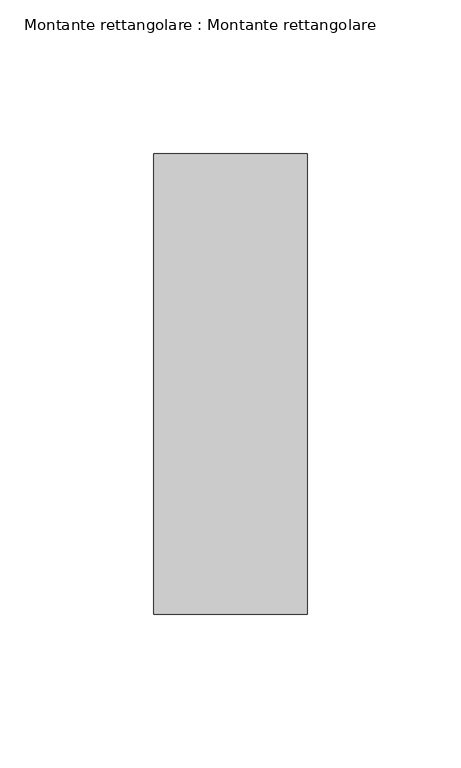
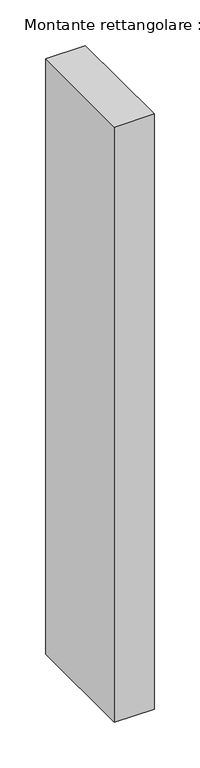
"""IFC4 building model written with IfcOpenShell, lengths in millimetres: member geometry, Montante rettangolare : Montante rettangolare."""

from ifc_helpers import new_model, si_unit, frame, origin, place, context, project, spatial, polyline, outline, extrude, source, transform, mapped, element, save


def montante_rettangolare_montante_rettangolare_f5e4e553(model_context):
    return source(origin(), model_context, "Body", "SweptSolid", [
        extrude(outline(polyline([(0.0, 75.0), (0.0, -75.0), (-50.0, -75.0), (-50.0, 75.0), (0.0, 75.0)])), frame((0.0, 0.0, -794.0), z_axis=(0.0, 0.0, 1.0), x_axis=(1.0, 0.0, 0.0)), (0.0, 0.0, 1.0), 794.0),
    ])


if __name__ == "__main__":
    model = new_model("IFC4")
    model_context = context("Model", 3, world=origin())
    ifc_project = project(units=[si_unit("LENGTHUNIT", "METRE", prefix="MILLI")], contexts=[model_context])
    site = spatial("IfcSite", under=ifc_project)
    building = spatial("IfcBuilding", under=site)
    placement = place(None, origin())
    montante_rettangolare_montante_rettangolare_shape = montante_rettangolare_montante_rettangolare_f5e4e553(model_context)
    element("IfcMember", 1, ObjectType="Montante rettangolare : Montante rettangolare", at=placement, inside=building, context=model_context, shape_type="MappedRepresentation", body=[
        mapped(montante_rettangolare_montante_rettangolare_shape, transform((0.0, 0.0, 0.0), x_axis=(1.0, 0.0, 0.0), y_axis=(0.0, 1.0, 0.0), z_axis=(0.0, 0.0, 1.0))),
    ])
    save(model, "model.ifc")
